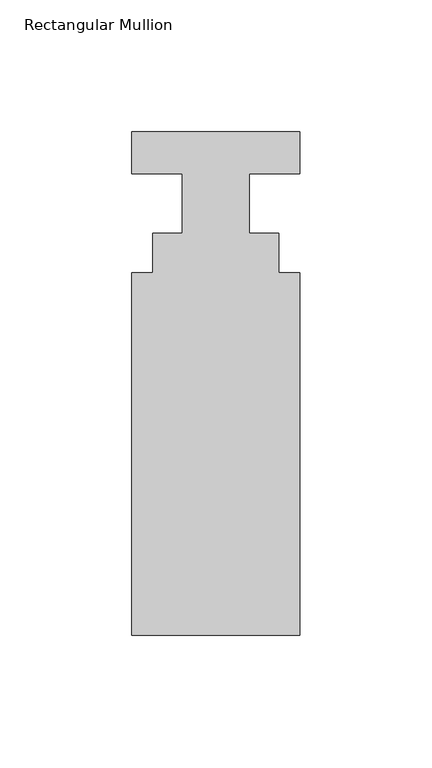
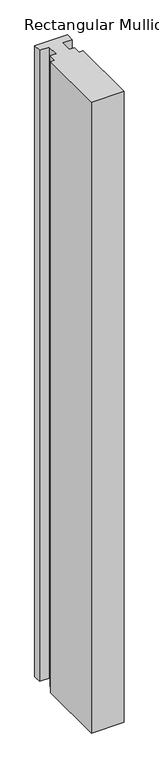
"""IFC4 building model written with IfcOpenShell, lengths in millimetres: member geometry, Rectangular Mullion."""

from ifc_helpers import new_model, si_unit, frame, origin, place, context, project, spatial, polyline, outline, extrude, source, transform, mapped, element, save


def rectangular_mullion_3fd9b515(model_context):
    return source(origin(), model_context, "Body", "SweptSolid", [
        extrude(outline(polyline([(31.75, -190.4007813), (-31.75, -190.4007813), (-31.75, -53.0629812), (-23.8252, -53.0629812), (-23.8252, -38.0007812), (-12.7, -38.0007813), (-12.7, -15.5217813), (-31.75, -15.5217813), (-31.75, 0.3532187), (31.75, 0.3532187), (31.75, -15.5217813), (12.7, -15.5217813), (12.7, -38.0007812), (23.8252, -38.0007813), (23.8252, -53.0629813), (31.75, -53.0629813), (31.75, -190.4007813)])), frame((0.0, 0.0, -1295.4), z_axis=(0.0, 0.0, 1.0), x_axis=(1.0, 0.0, 0.0)), (0.0, 0.0, 1.0), 1295.4),
    ])


if __name__ == "__main__":
    model = new_model("IFC4")
    model_context = context("Model", 3, world=origin())
    ifc_project = project(units=[si_unit("LENGTHUNIT", "METRE", prefix="MILLI")], contexts=[model_context])
    site = spatial("IfcSite", under=ifc_project)
    building = spatial("IfcBuilding", under=site)
    placement = place(None, origin())
    rectangular_mullion_shape = rectangular_mullion_3fd9b515(model_context)
    element("IfcMember", 1, ObjectType="Rectangular Mullion", at=placement, inside=building, context=model_context, shape_type="MappedRepresentation", body=[
        mapped(rectangular_mullion_shape, transform((0.0, 0.0, 0.0), x_axis=(1.0, 0.0, 0.0), y_axis=(0.0, 1.0, 0.0), z_axis=(0.0, 0.0, 1.0))),
    ])
    save(model, "model.ifc")
